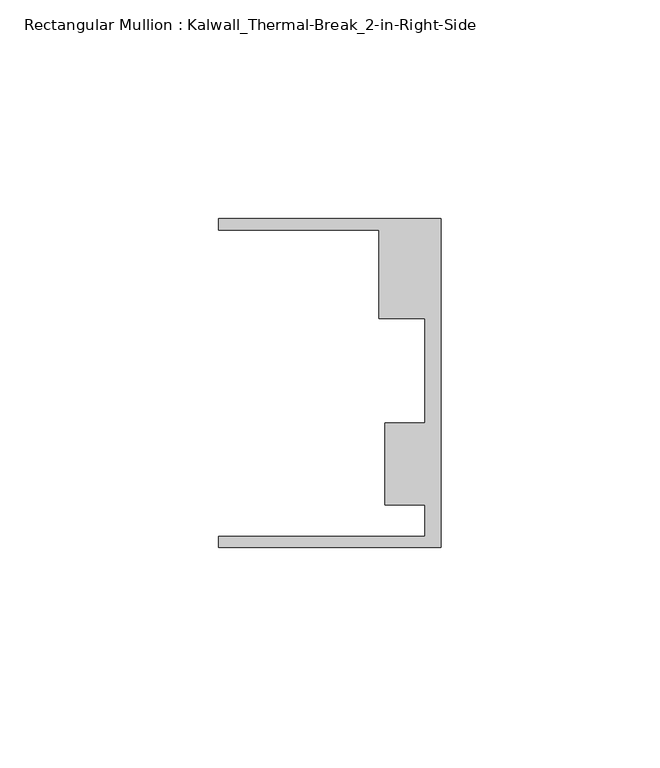
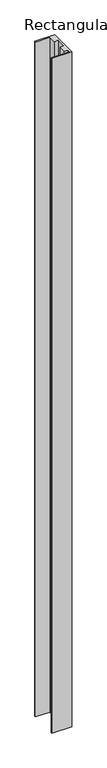
"""IFC4 building model written with IfcOpenShell, lengths in millimetres: member geometry, Rectangular Mullion : Kalwall_Thermal-Break_2-in-Right-Side."""

import ifcopenshell
import ifcopenshell.guid

model = None  # the IFC model being written
_history = None  # IfcOwnerHistory: only IFC2X3 demands one
_inside = {}  # id of a spatial element -> (the spatial element, [elements in it])
_under = {}  # id of a project, library or spatial element -> (it, [spatial elements below it])
_declared = {}  # id of a project -> (the project, [libraries it declares])
_typed = {}  # id of a type object -> (the type object, [elements of that type])
_made_of = {}  # id of a material, layer set ... -> (it, [elements and type objects made of it])


def new_model(schema):
    """Start an empty IFC model of exactly this schema.

    Asked for "IFC4X3", IfcOpenShell would pick the latest addendum, in which some entities
    have other attributes; the version numbers below select the first issue.
    IFC2X3 requires an IfcOwnerHistory on every rooted entity: one is made here for all.
    """
    global model, _history
    if schema == "IFC4X3":
        model = ifcopenshell.file(schema_version=(4, 3, 0, 0))
    else:
        model = ifcopenshell.file(schema=schema)
    _inside.clear()
    _under.clear()
    _declared.clear()
    _typed.clear()
    _made_of.clear()
    _history = None
    if model.schema == "IFC2X3":
        org = make("IfcOrganization", Name="unknown")
        user = make(
            "IfcPersonAndOrganization",
            ThePerson=make("IfcPerson", FamilyName="unknown"),
            TheOrganization=org,
        )
        app = make(
            "IfcApplication",
            ApplicationDeveloper=org,
            Version="unknown",
            ApplicationFullName="unknown",
            ApplicationIdentifier="unknown",
        )
        _history = make(
            "IfcOwnerHistory",
            OwningUser=user,
            OwningApplication=app,
            ChangeAction="ADDED",
            CreationDate=0,
        )
    return model


def make(cls, **values):
    """One entity of the class cls with the attributes given. An attribute that is None is left unset."""
    return model.create_entity(
        cls, **{name: value for name, value in values.items() if value is not None}
    )


def rooted(cls, **values):
    """An entity with a GlobalId (a new one), such as an element, a storey or a relation."""
    return make(cls, GlobalId=ifcopenshell.guid.new(), OwnerHistory=_history, **values)


def si_unit(unit_type, name, prefix=None):
    """IfcSIUnit, for example si_unit("LENGTHUNIT", "METRE", prefix="MILLI")."""
    return make("IfcSIUnit", UnitType=unit_type, Prefix=prefix, Name=name)


def assignment(units):
    """IfcUnitAssignment: the units of a project."""
    return None if units is None else make("IfcUnitAssignment", Units=units)


def point(xyz):
    """IfcCartesianPoint."""
    return None if xyz is None else make("IfcCartesianPoint", Coordinates=xyz)


def direction(xyz):
    """IfcDirection."""
    return None if xyz is None else make("IfcDirection", DirectionRatios=xyz)


def frame(location, z_axis=None, x_axis=None):
    """IfcAxis2Placement3D, a coordinate frame: its origin and axes. An axis left out is left unset."""
    return make(
        "IfcAxis2Placement3D",
        Location=point(location),
        Axis=direction(z_axis),
        RefDirection=direction(x_axis),
    )


def origin():
    """The frame at (0, 0, 0) with its axes left unset."""
    return frame((0.0, 0.0, 0.0))


def place(relative_to, where):
    """IfcLocalPlacement: puts the frame where relative to a parent placement (None: the world)."""
    return make(
        "IfcLocalPlacement", PlacementRelTo=relative_to, RelativePlacement=where
    )


def context(
    kind, dimensions, precision=None, world=None, true_north=None, identifier=None
):
    """IfcGeometricRepresentationContext, for example the 3D "Model" context."""
    return make(
        "IfcGeometricRepresentationContext",
        ContextIdentifier=identifier,
        ContextType=kind,
        CoordinateSpaceDimension=dimensions,
        Precision=precision,
        WorldCoordinateSystem=world,
        TrueNorth=true_north,
    )


def project(units=None, contexts=None):
    """IfcProject with its units and contexts."""
    return rooted(
        "IfcProject",
        Name="project",
        RepresentationContexts=contexts,
        UnitsInContext=assignment(units),
    )


def spatial(cls, under=None, at=None, **own):
    """A site, building, storey or space (cls), placed at a placement, below another one or the project."""
    s = rooted(cls, ObjectPlacement=at, **own)
    if under is not None:
        _under.setdefault(under.id(), (under, []))[1].append(s)
    return s


def polyline(points):
    """IfcPolyline through the points."""
    return make("IfcPolyline", Points=[point(p) for p in points])


def outline(outer, holes=None, kind="AREA"):
    """IfcArbitraryClosedProfileDef: a profile drawn as a closed curve; with holes, ...WithVoids."""
    if holes is None:
        return make("IfcArbitraryClosedProfileDef", ProfileType=kind, OuterCurve=outer)
    return make(
        "IfcArbitraryProfileDefWithVoids",
        ProfileType=kind,
        OuterCurve=outer,
        InnerCurves=holes,
    )


def extrude(swept, where, along, depth):
    """IfcExtrudedAreaSolid: the profile swept, set in the frame where, extruded along a direction by depth."""
    return make(
        "IfcExtrudedAreaSolid",
        SweptArea=swept,
        Position=where,
        ExtrudedDirection=direction(along),
        Depth=depth,
    )


def shape(context_of_items, identifier, shape_type, items):
    """IfcShapeRepresentation: the items that make up one representation, for example the "Body"."""
    return make(
        "IfcShapeRepresentation",
        ContextOfItems=context_of_items,
        RepresentationIdentifier=identifier,
        RepresentationType=shape_type,
        Items=items,
    )


def source(mapping_origin, context_of_items, identifier, shape_type, items):
    """IfcRepresentationMap: a shape defined once, which mapped items show again and again."""
    return make(
        "IfcRepresentationMap",
        MappingOrigin=mapping_origin,
        MappedRepresentation=shape(context_of_items, identifier, shape_type, items),
    )


def transform(
    local_origin,
    x_axis=None,
    y_axis=None,
    z_axis=None,
    scale=None,
    scale2=None,
    scale3=None,
    uniform=True,
):
    """IfcCartesianTransformationOperator3D, or its non-uniform kind. x_axis, y_axis, z_axis: its Axis1, 2, 3."""
    if uniform:
        return make(
            "IfcCartesianTransformationOperator3D",
            Axis1=direction(x_axis),
            Axis2=direction(y_axis),
            LocalOrigin=point(local_origin),
            Scale=scale,
            Axis3=direction(z_axis),
        )
    return make(
        "IfcCartesianTransformationOperator3DnonUniform",
        Axis1=direction(x_axis),
        Axis2=direction(y_axis),
        LocalOrigin=point(local_origin),
        Scale=scale,
        Axis3=direction(z_axis),
        Scale2=scale2,
        Scale3=scale3,
    )


def mapped(mapping_source, mapping_target):
    """IfcMappedItem: shows the shape of a source again, moved by a transform."""
    return make(
        "IfcMappedItem", MappingSource=mapping_source, MappingTarget=mapping_target
    )


def made_of(thing, what):
    """Note that an element or type object is made of a material, layer set ...; save() writes the relation."""
    if what is not None:
        _made_of.setdefault(what.id(), (what, []))[1].append(thing)
    return thing


def element(
    cls,
    number,
    at=None,
    inside=None,
    cuts=None,
    type_object=None,
    material=None,
    context=None,
    identifier="Body",
    shape_type=None,
    held_by="IfcProductDefinitionShape",
    body=None,
    shapes=None,
    **own,
):
    """One element of the class cls, such as IfcWall. Its Tag is "e" and its number.

    at: its placement. inside: the storey or other place that contains it. cuts: it is an
    opening in that element (IfcRelVoidsElement). A single representation is given by context,
    identifier, shape_type and body (its items); several are given by shapes. held_by: the class
    of the entity that holds the representations. save() writes the other relations.
    """
    e = rooted(cls, Tag="e%d" % number, ObjectPlacement=at, **own)
    if body is not None:
        shapes = [shape(context, identifier, shape_type, body)]
    if shapes is not None:
        e.Representation = make(held_by, Representations=shapes)
    if inside is not None:
        _inside.setdefault(inside.id(), (inside, []))[1].append(e)
    if cuts is not None:
        rooted(
            "IfcRelVoidsElement", RelatingBuildingElement=cuts, RelatedOpeningElement=e
        )
    if type_object is not None:
        _typed.setdefault(type_object.id(), (type_object, []))[1].append(e)
    return made_of(e, material)


def aggregate(whole, parts):
    """IfcRelAggregates: a whole, such as a stair, and the parts it consists of."""
    return rooted("IfcRelAggregates", RelatingObject=whole, RelatedObjects=parts)


def save(model, path):
    """Write the relations noted so far, then the file.

    IfcRelAggregates (storeys below a building ...), IfcRelContainedInSpatialStructure (elements
    in a storey), IfcRelDefinesByType, IfcRelAssociatesMaterial and IfcRelDeclares: one each for
    every whole, place, type object, material and project.
    """
    for whole, parts in _under.values():
        aggregate(whole, parts)
    for where, things in _inside.values():
        rooted(
            "IfcRelContainedInSpatialStructure",
            RelatedElements=things,
            RelatingStructure=where,
        )
    for kind, things in _typed.values():
        rooted("IfcRelDefinesByType", RelatedObjects=things, RelatingType=kind)
    for what, things in _made_of.values():
        rooted("IfcRelAssociatesMaterial", RelatedObjects=things, RelatingMaterial=what)
    for by, libraries in _declared.values():
        rooted("IfcRelDeclares", RelatingContext=by, RelatedDefinitions=libraries)
    model.write(path)


def rectangular_mullion_kalwall_thermal_break_2_in_right_side_053f7206(model_context):
    return source(origin(), model_context, "Body", "SweptSolid", [
        extrude(outline(polyline([(0.0, -37.5776386), (-50.8, -37.5776386), (-50.8, -35.0376386), (-3.7084, -35.0376386), (-3.7084, -27.8888568), (-12.8272539, -27.8888568), (-12.8272539, -9.1879886), (-3.7084, -9.1879886), (-3.7084, 14.7439614), (-14.1732, 14.7439614), (-14.1732, 34.9623614), (-50.8, 34.9623614), (-50.8, 37.5023614), (0.0, 37.5023614), (0.0, -37.5776386)])), frame((0.0, 0.0, -1830.175), z_axis=(0.0, 0.0, 1.0), x_axis=(1.0, 0.0, 0.0)), (0.0, 0.0, 1.0), 1830.175),
    ])


if __name__ == "__main__":
    model = new_model("IFC4")
    model_context = context("Model", 3, world=origin())
    ifc_project = project(units=[si_unit("LENGTHUNIT", "METRE", prefix="MILLI")], contexts=[model_context])
    site = spatial("IfcSite", under=ifc_project)
    building = spatial("IfcBuilding", under=site)
    placement = place(None, origin())
    rectangular_mullion_kalwall_thermal_break_2_in_right_side_shape = rectangular_mullion_kalwall_thermal_break_2_in_right_side_053f7206(model_context)
    element("IfcMember", 1, ObjectType="Rectangular Mullion : Kalwall_Thermal-Break_2-in-Right-Side", at=placement, inside=building, context=model_context, shape_type="MappedRepresentation", body=[
        mapped(rectangular_mullion_kalwall_thermal_break_2_in_right_side_shape, transform((0.0, 0.0, 0.0), x_axis=(1.0, 0.0, 0.0), y_axis=(0.0, 1.0, 0.0), z_axis=(0.0, 0.0, 1.0))),
    ])
    save(model, "model.ifc")
